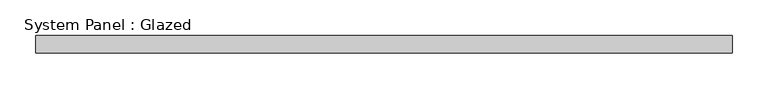
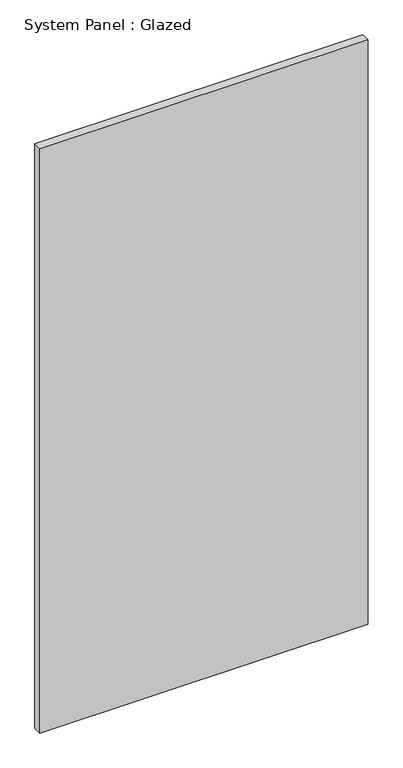
"""IFC4 building model written with IfcOpenShell, lengths in millimetres: plate geometry, System Panel : Glazed."""

from ifc_helpers import new_model, si_unit, origin, origin_with_axes, place, context, project, spatial, polyline, outline, extrude, source, transform, mapped, element, save


def system_panel_glazed_5f9479fb(model_context):
    return source(origin(), model_context, "Body", "SweptSolid", [
        extrude(outline(polyline([(489.4190074, 24.5), (-489.4190074, 24.5), (-489.4190074, 49.5), (489.4190074, 49.5), (489.4190074, 24.5)])), origin_with_axes(), (0.0, 0.0, 1.0), 1841.4747805),
    ])


if __name__ == "__main__":
    model = new_model("IFC4")
    model_context = context("Model", 3, world=origin())
    ifc_project = project(units=[si_unit("LENGTHUNIT", "METRE", prefix="MILLI")], contexts=[model_context])
    site = spatial("IfcSite", under=ifc_project)
    building = spatial("IfcBuilding", under=site)
    placement = place(None, origin())
    system_panel_glazed_shape = system_panel_glazed_5f9479fb(model_context)
    element("IfcPlate", 1, ObjectType="System Panel : Glazed", at=placement, inside=building, context=model_context, shape_type="MappedRepresentation", body=[
        mapped(system_panel_glazed_shape, transform((0.0, 0.0, 0.0), x_axis=(1.0, 0.0, 0.0), y_axis=(0.0, 1.0, 0.0), z_axis=(0.0, 0.0, 1.0))),
    ])
    save(model, "model.ifc")
